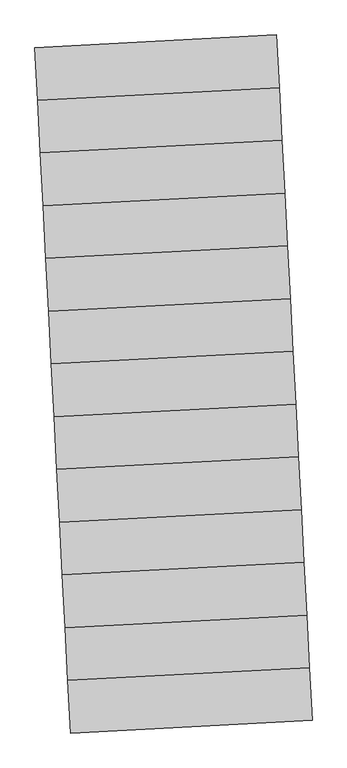
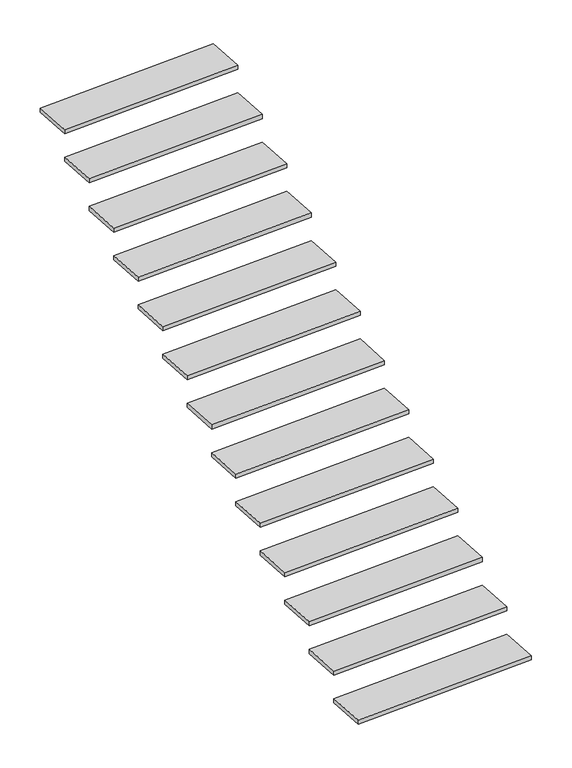
"""IFC4 building model written with IfcOpenShell, lengths in millimetres: stair flight geometry."""

import ifcopenshell
import ifcopenshell.guid

model = None  # the IFC model being written
_history = None  # IfcOwnerHistory: only IFC2X3 demands one
_inside = {}  # id of a spatial element -> (the spatial element, [elements in it])
_under = {}  # id of a project, library or spatial element -> (it, [spatial elements below it])
_declared = {}  # id of a project -> (the project, [libraries it declares])
_typed = {}  # id of a type object -> (the type object, [elements of that type])
_made_of = {}  # id of a material, layer set ... -> (it, [elements and type objects made of it])


def new_model(schema):
    """Start an empty IFC model of exactly this schema.

    Asked for "IFC4X3", IfcOpenShell would pick the latest addendum, in which some entities
    have other attributes; the version numbers below select the first issue.
    IFC2X3 requires an IfcOwnerHistory on every rooted entity: one is made here for all.
    """
    global model, _history
    if schema == "IFC4X3":
        model = ifcopenshell.file(schema_version=(4, 3, 0, 0))
    else:
        model = ifcopenshell.file(schema=schema)
    _inside.clear()
    _under.clear()
    _declared.clear()
    _typed.clear()
    _made_of.clear()
    _history = None
    if model.schema == "IFC2X3":
        org = make("IfcOrganization", Name="unknown")
        user = make(
            "IfcPersonAndOrganization",
            ThePerson=make("IfcPerson", FamilyName="unknown"),
            TheOrganization=org,
        )
        app = make(
            "IfcApplication",
            ApplicationDeveloper=org,
            Version="unknown",
            ApplicationFullName="unknown",
            ApplicationIdentifier="unknown",
        )
        _history = make(
            "IfcOwnerHistory",
            OwningUser=user,
            OwningApplication=app,
            ChangeAction="ADDED",
            CreationDate=0,
        )
    return model


def make(cls, **values):
    """One entity of the class cls with the attributes given. An attribute that is None is left unset."""
    return model.create_entity(
        cls, **{name: value for name, value in values.items() if value is not None}
    )


def rooted(cls, **values):
    """An entity with a GlobalId (a new one), such as an element, a storey or a relation."""
    return make(cls, GlobalId=ifcopenshell.guid.new(), OwnerHistory=_history, **values)


def si_unit(unit_type, name, prefix=None):
    """IfcSIUnit, for example si_unit("LENGTHUNIT", "METRE", prefix="MILLI")."""
    return make("IfcSIUnit", UnitType=unit_type, Prefix=prefix, Name=name)


def assignment(units):
    """IfcUnitAssignment: the units of a project."""
    return None if units is None else make("IfcUnitAssignment", Units=units)


def point(xyz):
    """IfcCartesianPoint."""
    return None if xyz is None else make("IfcCartesianPoint", Coordinates=xyz)


def direction(xyz):
    """IfcDirection."""
    return None if xyz is None else make("IfcDirection", DirectionRatios=xyz)


def frame(location, z_axis=None, x_axis=None):
    """IfcAxis2Placement3D, a coordinate frame: its origin and axes. An axis left out is left unset."""
    return make(
        "IfcAxis2Placement3D",
        Location=point(location),
        Axis=direction(z_axis),
        RefDirection=direction(x_axis),
    )


def origin():
    """The frame at (0, 0, 0) with its axes left unset."""
    return frame((0.0, 0.0, 0.0))


def place(relative_to, where):
    """IfcLocalPlacement: puts the frame where relative to a parent placement (None: the world)."""
    return make(
        "IfcLocalPlacement", PlacementRelTo=relative_to, RelativePlacement=where
    )


def context(
    kind, dimensions, precision=None, world=None, true_north=None, identifier=None
):
    """IfcGeometricRepresentationContext, for example the 3D "Model" context."""
    return make(
        "IfcGeometricRepresentationContext",
        ContextIdentifier=identifier,
        ContextType=kind,
        CoordinateSpaceDimension=dimensions,
        Precision=precision,
        WorldCoordinateSystem=world,
        TrueNorth=true_north,
    )


def project(units=None, contexts=None):
    """IfcProject with its units and contexts."""
    return rooted(
        "IfcProject",
        Name="project",
        RepresentationContexts=contexts,
        UnitsInContext=assignment(units),
    )


def spatial(cls, under=None, at=None, **own):
    """A site, building, storey or space (cls), placed at a placement, below another one or the project."""
    s = rooted(cls, ObjectPlacement=at, **own)
    if under is not None:
        _under.setdefault(under.id(), (under, []))[1].append(s)
    return s


def polyline(points):
    """IfcPolyline through the points."""
    return make("IfcPolyline", Points=[point(p) for p in points])


def outline(outer, holes=None, kind="AREA"):
    """IfcArbitraryClosedProfileDef: a profile drawn as a closed curve; with holes, ...WithVoids."""
    if holes is None:
        return make("IfcArbitraryClosedProfileDef", ProfileType=kind, OuterCurve=outer)
    return make(
        "IfcArbitraryProfileDefWithVoids",
        ProfileType=kind,
        OuterCurve=outer,
        InnerCurves=holes,
    )


def extrude(swept, where, along, depth):
    """IfcExtrudedAreaSolid: the profile swept, set in the frame where, extruded along a direction by depth."""
    return make(
        "IfcExtrudedAreaSolid",
        SweptArea=swept,
        Position=where,
        ExtrudedDirection=direction(along),
        Depth=depth,
    )


def shape(context_of_items, identifier, shape_type, items):
    """IfcShapeRepresentation: the items that make up one representation, for example the "Body"."""
    return make(
        "IfcShapeRepresentation",
        ContextOfItems=context_of_items,
        RepresentationIdentifier=identifier,
        RepresentationType=shape_type,
        Items=items,
    )


def source(mapping_origin, context_of_items, identifier, shape_type, items):
    """IfcRepresentationMap: a shape defined once, which mapped items show again and again."""
    return make(
        "IfcRepresentationMap",
        MappingOrigin=mapping_origin,
        MappedRepresentation=shape(context_of_items, identifier, shape_type, items),
    )


def transform(
    local_origin,
    x_axis=None,
    y_axis=None,
    z_axis=None,
    scale=None,
    scale2=None,
    scale3=None,
    uniform=True,
):
    """IfcCartesianTransformationOperator3D, or its non-uniform kind. x_axis, y_axis, z_axis: its Axis1, 2, 3."""
    if uniform:
        return make(
            "IfcCartesianTransformationOperator3D",
            Axis1=direction(x_axis),
            Axis2=direction(y_axis),
            LocalOrigin=point(local_origin),
            Scale=scale,
            Axis3=direction(z_axis),
        )
    return make(
        "IfcCartesianTransformationOperator3DnonUniform",
        Axis1=direction(x_axis),
        Axis2=direction(y_axis),
        LocalOrigin=point(local_origin),
        Scale=scale,
        Axis3=direction(z_axis),
        Scale2=scale2,
        Scale3=scale3,
    )


def mapped(mapping_source, mapping_target):
    """IfcMappedItem: shows the shape of a source again, moved by a transform."""
    return make(
        "IfcMappedItem", MappingSource=mapping_source, MappingTarget=mapping_target
    )


def made_of(thing, what):
    """Note that an element or type object is made of a material, layer set ...; save() writes the relation."""
    if what is not None:
        _made_of.setdefault(what.id(), (what, []))[1].append(thing)
    return thing


def element(
    cls,
    number,
    at=None,
    inside=None,
    cuts=None,
    type_object=None,
    material=None,
    context=None,
    identifier="Body",
    shape_type=None,
    held_by="IfcProductDefinitionShape",
    body=None,
    shapes=None,
    **own,
):
    """One element of the class cls, such as IfcWall. Its Tag is "e" and its number.

    at: its placement. inside: the storey or other place that contains it. cuts: it is an
    opening in that element (IfcRelVoidsElement). A single representation is given by context,
    identifier, shape_type and body (its items); several are given by shapes. held_by: the class
    of the entity that holds the representations. save() writes the other relations.
    """
    e = rooted(cls, Tag="e%d" % number, ObjectPlacement=at, **own)
    if body is not None:
        shapes = [shape(context, identifier, shape_type, body)]
    if shapes is not None:
        e.Representation = make(held_by, Representations=shapes)
    if inside is not None:
        _inside.setdefault(inside.id(), (inside, []))[1].append(e)
    if cuts is not None:
        rooted(
            "IfcRelVoidsElement", RelatingBuildingElement=cuts, RelatedOpeningElement=e
        )
    if type_object is not None:
        _typed.setdefault(type_object.id(), (type_object, []))[1].append(e)
    return made_of(e, material)


def aggregate(whole, parts):
    """IfcRelAggregates: a whole, such as a stair, and the parts it consists of."""
    return rooted("IfcRelAggregates", RelatingObject=whole, RelatedObjects=parts)


def save(model, path):
    """Write the relations noted so far, then the file.

    IfcRelAggregates (storeys below a building ...), IfcRelContainedInSpatialStructure (elements
    in a storey), IfcRelDefinesByType, IfcRelAssociatesMaterial and IfcRelDeclares: one each for
    every whole, place, type object, material and project.
    """
    for whole, parts in _under.values():
        aggregate(whole, parts)
    for where, things in _inside.values():
        rooted(
            "IfcRelContainedInSpatialStructure",
            RelatedElements=things,
            RelatingStructure=where,
        )
    for kind, things in _typed.values():
        rooted("IfcRelDefinesByType", RelatedObjects=things, RelatingType=kind)
    for what, things in _made_of.values():
        rooted("IfcRelAssociatesMaterial", RelatedObjects=things, RelatingMaterial=what)
    for by, libraries in _declared.values():
        rooted("IfcRelDeclares", RelatingContext=by, RelatedDefinitions=libraries)
    model.write(path)


def stair_flight_08b8653b(model_context):
    return source(origin(), model_context, "Body", "SweptSolid", [
        extrude(outline(polyline([(-112467.1336224, 122029.1734498), (-111230.0728387, 122093.6439508), (-111216.0206238, 121824.0098742), (-112453.0814075, 121759.5393732), (-112467.1336224, 122029.1734498)])), frame((0.0, 0.0, -6763.4004648), z_axis=(0.0, 0.0, 1.0), x_axis=(1.0, 0.0, 0.0)), (0.0, 0.0, 1.0), 30.0),
        extrude(outline(polyline([(-112481.1858373, 122298.8075264), (-111244.1250536, 122363.2780274), (-111230.0728387, 122093.6439508), (-112467.1336224, 122029.1734498), (-112481.1858373, 122298.8075264)])), frame((0.0, 0.0, -6560.9850444), z_axis=(0.0, 0.0, 1.0), x_axis=(1.0, 0.0, 0.0)), (0.0, 0.0, 1.0), 30.0),
        extrude(outline(polyline([(-112495.2380522, 122568.441603), (-111258.1772686, 122632.912104), (-111244.1250536, 122363.2780274), (-112481.1858373, 122298.8075264), (-112495.2380522, 122568.441603)])), frame((0.0, 0.0, -6358.569624), z_axis=(0.0, 0.0, 1.0), x_axis=(1.0, 0.0, 0.0)), (0.0, 0.0, 1.0), 30.0),
        extrude(outline(polyline([(-112509.2902671, 122838.0756796), (-111272.2294835, 122902.5461806), (-111258.1772686, 122632.912104), (-112495.2380522, 122568.441603), (-112509.2902671, 122838.0756796)])), frame((0.0, 0.0, -6156.1542037), z_axis=(0.0, 0.0, 1.0), x_axis=(1.0, 0.0, 0.0)), (0.0, 0.0, 1.0), 30.0),
        extrude(outline(polyline([(-112523.3424821, 123107.7097562), (-111286.2816984, 123172.1802572), (-111272.2294835, 122902.5461806), (-112509.2902671, 122838.0756796), (-112523.3424821, 123107.7097562)])), frame((0.0, 0.0, -5953.7387833), z_axis=(0.0, 0.0, 1.0), x_axis=(1.0, 0.0, 0.0)), (0.0, 0.0, 1.0), 30.0),
        extrude(outline(polyline([(-112537.394697, 123377.3438328), (-111300.3339133, 123441.8143337), (-111286.2816984, 123172.1802572), (-112523.3424821, 123107.7097562), (-112537.394697, 123377.3438328)])), frame((0.0, 0.0, -5751.3233629), z_axis=(0.0, 0.0, 1.0), x_axis=(1.0, 0.0, 0.0)), (0.0, 0.0, 1.0), 30.0),
        extrude(outline(polyline([(-112551.4469119, 123646.9779093), (-111314.3861283, 123711.4484103), (-111300.3339133, 123441.8143337), (-112537.394697, 123377.3438328), (-112551.4469119, 123646.9779093)])), frame((0.0, 0.0, -5548.9079426), z_axis=(0.0, 0.0, 1.0), x_axis=(1.0, 0.0, 0.0)), (0.0, 0.0, 1.0), 30.0),
        extrude(outline(polyline([(-112565.4991268, 123916.6119859), (-111328.4383432, 123981.0824869), (-111314.3861283, 123711.4484103), (-112551.4469119, 123646.9779093), (-112565.4991268, 123916.6119859)])), frame((0.0, 0.0, -5346.4925222), z_axis=(0.0, 0.0, 1.0), x_axis=(1.0, 0.0, 0.0)), (0.0, 0.0, 1.0), 30.0),
        extrude(outline(polyline([(-112579.5513417, 124186.2460625), (-111342.4905581, 124250.7165635), (-111328.4383432, 123981.0824869), (-112565.4991268, 123916.6119859), (-112579.5513417, 124186.2460625)])), frame((0.0, 0.0, -5144.0771018), z_axis=(0.0, 0.0, 1.0), x_axis=(1.0, 0.0, 0.0)), (0.0, 0.0, 1.0), 30.0),
        extrude(outline(polyline([(-112593.6035567, 124455.8801391), (-111356.542773, 124520.3506401), (-111342.4905581, 124250.7165635), (-112579.5513417, 124186.2460625), (-112593.6035567, 124455.8801391)])), frame((0.0, 0.0, -4941.6616815), z_axis=(0.0, 0.0, 1.0), x_axis=(1.0, 0.0, 0.0)), (0.0, 0.0, 1.0), 30.0),
        extrude(outline(polyline([(-112607.6557716, 124725.5142157), (-111370.5949879, 124789.9847167), (-111356.542773, 124520.3506401), (-112593.6035567, 124455.8801391), (-112607.6557716, 124725.5142157)])), frame((0.0, 0.0, -4739.2462611), z_axis=(0.0, 0.0, 1.0), x_axis=(1.0, 0.0, 0.0)), (0.0, 0.0, 1.0), 30.0),
        extrude(outline(polyline([(-112621.7079865, 124995.1482923), (-111384.6472029, 125059.6187933), (-111370.5949879, 124789.9847167), (-112607.6557716, 124725.5142157), (-112621.7079865, 124995.1482923)])), frame((0.0, 0.0, -4536.8308407), z_axis=(0.0, 0.0, 1.0), x_axis=(1.0, 0.0, 0.0)), (0.0, 0.0, 1.0), 30.0),
        extrude(outline(polyline([(-112635.7602014, 125264.7823688), (-111398.6994178, 125329.2528698), (-111384.6472029, 125059.6187933), (-112621.7079865, 124995.1482923), (-112635.7602014, 125264.7823688)])), frame((0.0, 0.0, -4334.4154204), z_axis=(0.0, 0.0, 1.0), x_axis=(1.0, 0.0, 0.0)), (0.0, 0.0, 1.0), 30.0),
    ])


if __name__ == "__main__":
    model = new_model("IFC4")
    model_context = context("Model", 3, world=origin())
    ifc_project = project(units=[si_unit("LENGTHUNIT", "METRE", prefix="MILLI")], contexts=[model_context])
    site = spatial("IfcSite", under=ifc_project)
    building = spatial("IfcBuilding", under=site)
    placement = place(None, origin())
    stair_flight_shape = stair_flight_08b8653b(model_context)
    element("IfcStairFlight", 1, at=placement, inside=building, context=model_context, shape_type="MappedRepresentation", body=[
        mapped(stair_flight_shape, transform((0.0, 0.0, 0.0), x_axis=(1.0, 0.0, 0.0), y_axis=(0.0, 1.0, 0.0), z_axis=(0.0, 0.0, 1.0))),
    ])
    save(model, "model.ifc")
